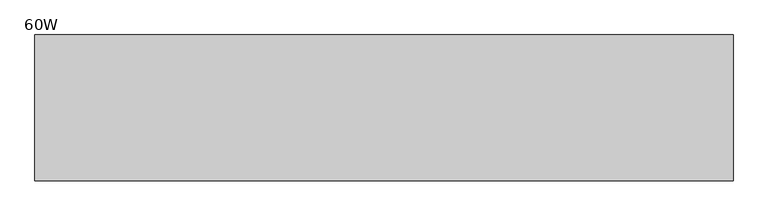
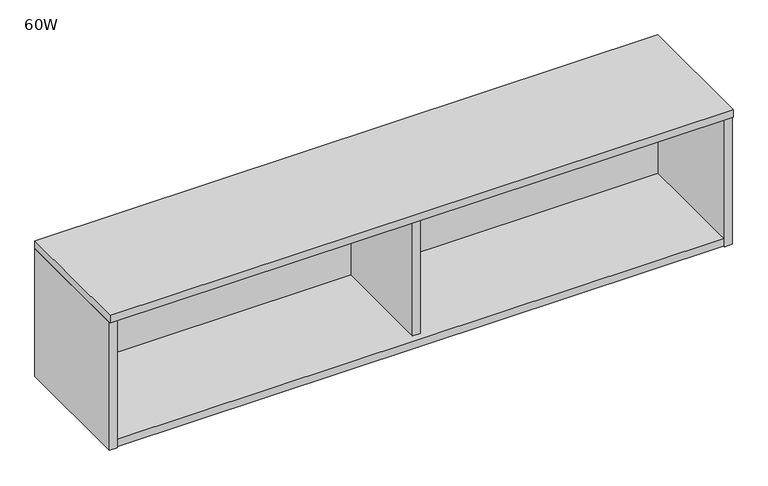
"""IFC4 building model written with IfcOpenShell, lengths in millimetres: furniture geometry, 60W."""

from ifc_helpers import new_model, si_unit, frame, origin, place, context, project, spatial, polyline, outline, extrude, source, transform, mapped, element, save


def furniture_60w_bf6f5a38(model_context):
    return source(origin(), model_context, "Body", "SweptSolid", [
        extrude(outline(polyline([(771.652009, -34.13125), (771.652009, -293.7192522), (752.347991, -293.7192522), (752.347991, -34.13125), (771.652009, -34.13125)])), frame((0.0, 0.0, 393.9539998), z_axis=(0.0, 0.0, 1.0), x_axis=(1.0, 0.0, 0.0)), (0.0, 0.0, 1.0), 310.6420049),
        extrude(outline(polyline([(1520.19, 0.0), (1520.19, -317.4999879), (1.524, -317.4999879), (1.524, 0.0), (1520.19, 0.0)])), frame((0.0, 0.0, 704.5960047), z_axis=(0.0, 0.0, 1.0), x_axis=(1.0, 0.0, 0.0)), (0.0, 0.0, 1.0), 19.3039953),
        extrude(outline(polyline([(1500.8860184, 0.0), (1500.8860184, -311.4039937), (20.8280006, -311.4039937), (20.8280006, 0.0), (1500.8860184, 0.0)])), frame((0.0, 0.0, 374.65), z_axis=(0.0, 0.0, 1.0), x_axis=(1.0, 0.0, 0.0)), (0.0, 0.0, 1.0), 19.3039998),
        extrude(outline(polyline([(1520.19, 0.0), (1520.19, -314.4519908), (1500.8860184, -314.4519908), (1500.8860184, 0.0), (1520.19, 0.0)])), frame((0.0, 0.0, 374.65), z_axis=(0.0, 0.0, 1.0), x_axis=(1.0, 0.0, 0.0)), (0.0, 0.0, 1.0), 329.9460047),
        extrude(outline(polyline([(1500.8860184, -14.8589995), (1500.8860184, -34.1629992), (20.8280006, -34.1629992), (20.8280006, -14.8589995), (1500.8860184, -14.8589995)])), frame((0.0, 0.0, 393.9539998), z_axis=(0.0, 0.0, 1.0), x_axis=(1.0, 0.0, 0.0)), (0.0, 0.0, 1.0), 310.6420049),
        extrude(outline(polyline([(20.8280006, 0.0), (20.8280006, -314.4519908), (1.524, -314.4519908), (1.524, 0.0), (20.8280006, 0.0)])), frame((0.0, 0.0, 374.65), z_axis=(0.0, 0.0, 1.0), x_axis=(1.0, 0.0, 0.0)), (0.0, 0.0, 1.0), 329.9460047),
    ])


if __name__ == "__main__":
    model = new_model("IFC4")
    model_context = context("Model", 3, world=origin())
    ifc_project = project(units=[si_unit("LENGTHUNIT", "METRE", prefix="MILLI")], contexts=[model_context])
    site = spatial("IfcSite", under=ifc_project)
    building = spatial("IfcBuilding", under=site)
    placement = place(None, origin())
    furniture_60w_shape = furniture_60w_bf6f5a38(model_context)
    element("IfcFurniture", 1, ObjectType="60W", at=placement, inside=building, context=model_context, shape_type="MappedRepresentation", body=[
        mapped(furniture_60w_shape, transform((0.0, 0.0, 0.0), x_axis=(1.0, 0.0, 0.0), y_axis=(0.0, 1.0, 0.0), z_axis=(0.0, 0.0, 1.0))),
    ])
    save(model, "model.ifc")
